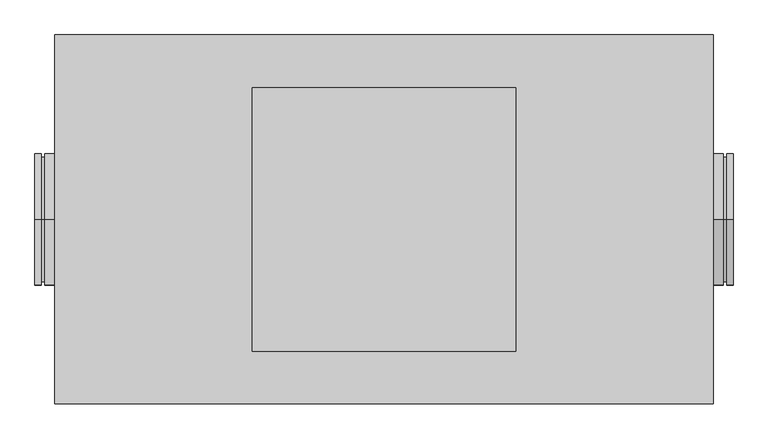
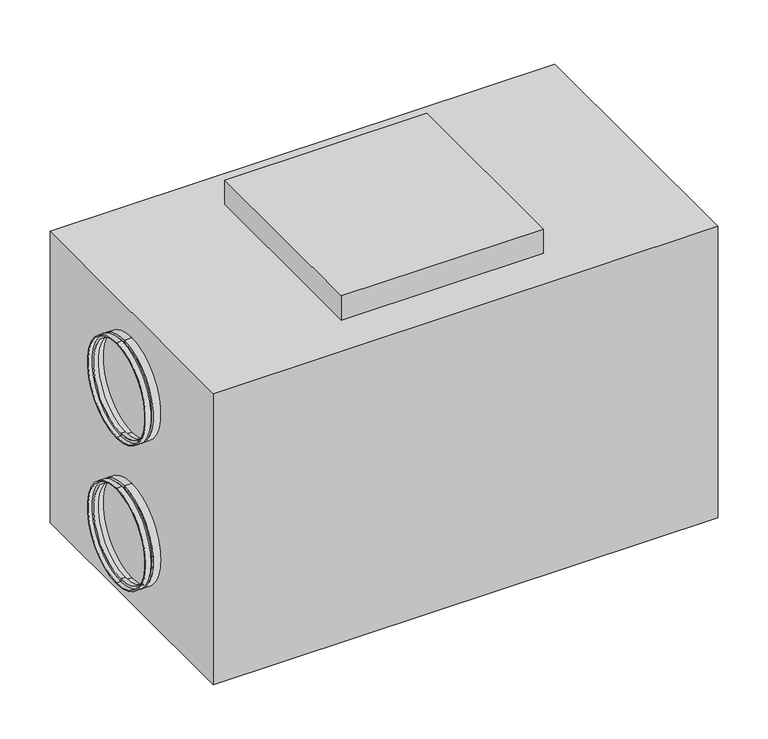
"""IFC4 building model written with IfcOpenShell, lengths in millimetres: proxy geometry."""

from ifc_helpers import new_model, si_unit, frame, origin, place, context, project, spatial, polyline, circle_curve, outline, extrude, source, transform, mapped, element, save
from ifc_brep_helpers import plane_surface, cylinder_surface, revolved_surface, advanced_brep


def mechanical_equipment_f492afd6(model_context):
    return source(origin(), model_context, "Body", "SolidModel", [
        extrude(outline(polyline([(200.0, 200.0), (200.0, -200.0), (-200.0, -200.0), (-200.0, 200.0), (200.0, 200.0)])), frame((0.0, 0.0, 640.0), z_axis=(0.0, 0.0, 1.0), x_axis=(1.0, 0.0, 0.0)), (0.0, 0.0, 1.0), 51.0),
        advanced_brep(
        [(520.0, 0.0, 82.5), (520.0, 0.0, 282.5), (530.0, 0.0, 282.5), (530.0, 0.0, 82.5), (520.0, 0.0, 87.5), (520.0, 0.0, 277.5), (515.0, 0.0, 87.5), (515.0, 0.0, 277.5), (515.0, 0.0, 82.5), (515.0, 0.0, 282.5), (500.0, 0.0, 82.5), (500.0, 0.0, 282.5), (500.0, 0.0, 84.5), (500.0, 0.0, 280.5), (513.0, 0.0, 84.5), (513.0, 0.0, 280.5), (513.0, 0.0, 89.5), (513.0, 0.0, 275.5), (522.0, 0.0, 89.5), (522.0, 0.0, 275.5), (522.0, 0.0, 84.5), (522.0, 0.0, 280.5), (530.0, 0.0, 84.5), (530.0, 0.0, 280.5)],
        [
            (0, 1, circle_curve(frame((520.0, 0.0, 182.5), z_axis=(1.0, 0.0, 0.0), x_axis=(0.0, 0.0, 1.0)), 100.0)),
            (1, 2),
            (2, 3, circle_curve(frame((530.0, 0.0, 182.5), z_axis=(-1.0, 0.0, 0.0), x_axis=(0.0, 0.0, 1.0)), 100.0)),
            (3, 0),
            (1, 0, circle_curve(frame((520.0, 0.0, 182.5), z_axis=(1.0, 0.0, 0.0), x_axis=(0.0, 0.0, 1.0)), 100.0)),
            (3, 2, circle_curve(frame((530.0, 0.0, 182.5), z_axis=(-1.0, 0.0, 0.0), x_axis=(0.0, 0.0, 1.0)), 100.0)),
            (4, 5, circle_curve(frame((520.0, 0.0, 182.5), z_axis=(1.0, 0.0, 0.0), x_axis=(0.0, 0.0, 1.0)), 95.0)),
            (5, 1),
            (0, 4),
            (5, 4, circle_curve(frame((520.0, 0.0, 182.5), z_axis=(1.0, 0.0, 0.0), x_axis=(0.0, 0.0, 1.0)), 95.0)),
            (6, 7, circle_curve(frame((515.0, 0.0, 182.5), z_axis=(1.0, 0.0, 0.0), x_axis=(0.0, 0.0, 1.0)), 95.0)),
            (7, 5),
            (4, 6),
            (7, 6, circle_curve(frame((515.0, 0.0, 182.5), z_axis=(1.0, 0.0, 0.0), x_axis=(0.0, 0.0, 1.0)), 95.0)),
            (8, 9, circle_curve(frame((515.0, 0.0, 182.5), z_axis=(1.0, 0.0, 0.0), x_axis=(0.0, 0.0, 1.0)), 100.0)),
            (9, 7),
            (6, 8),
            (9, 8, circle_curve(frame((515.0, 0.0, 182.5), z_axis=(1.0, 0.0, 0.0), x_axis=(0.0, 0.0, 1.0)), 100.0)),
            (10, 11, circle_curve(frame((500.0, 0.0, 182.5), z_axis=(1.0, 0.0, 0.0), x_axis=(0.0, 0.0, 1.0)), 100.0)),
            (11, 9),
            (8, 10),
            (11, 10, circle_curve(frame((500.0, 0.0, 182.5), z_axis=(1.0, 0.0, 0.0), x_axis=(0.0, 0.0, 1.0)), 100.0)),
            (12, 13, circle_curve(frame((500.0, 0.0, 182.5), z_axis=(1.0, 0.0, 0.0), x_axis=(0.0, 0.0, 1.0)), 98.0)),
            (13, 11),
            (10, 12),
            (13, 12, circle_curve(frame((500.0, 0.0, 182.5), z_axis=(1.0, 0.0, 0.0), x_axis=(0.0, 0.0, 1.0)), 98.0)),
            (14, 15, circle_curve(frame((513.0, 0.0, 182.5), z_axis=(1.0, 0.0, 0.0), x_axis=(0.0, 0.0, 1.0)), 98.0)),
            (15, 13),
            (12, 14),
            (15, 14, circle_curve(frame((513.0, 0.0, 182.5), z_axis=(1.0, 0.0, 0.0), x_axis=(0.0, 0.0, 1.0)), 98.0)),
            (16, 17, circle_curve(frame((513.0, 0.0, 182.5), z_axis=(1.0, 0.0, 0.0), x_axis=(0.0, 0.0, 1.0)), 93.0)),
            (17, 15),
            (14, 16),
            (17, 16, circle_curve(frame((513.0, 0.0, 182.5), z_axis=(1.0, 0.0, 0.0), x_axis=(0.0, 0.0, 1.0)), 93.0)),
            (18, 19, circle_curve(frame((522.0, 0.0, 182.5), z_axis=(1.0, 0.0, 0.0), x_axis=(0.0, 0.0, 1.0)), 93.0)),
            (19, 17),
            (16, 18),
            (19, 18, circle_curve(frame((522.0, 0.0, 182.5), z_axis=(1.0, 0.0, 0.0), x_axis=(0.0, 0.0, 1.0)), 93.0)),
            (20, 21, circle_curve(frame((522.0, 0.0, 182.5), z_axis=(1.0, 0.0, 0.0), x_axis=(0.0, 0.0, 1.0)), 98.0)),
            (21, 19),
            (18, 20),
            (21, 20, circle_curve(frame((522.0, 0.0, 182.5), z_axis=(1.0, 0.0, 0.0), x_axis=(0.0, 0.0, 1.0)), 98.0)),
            (22, 23, circle_curve(frame((530.0, 0.0, 182.5), z_axis=(1.0, 0.0, 0.0), x_axis=(0.0, 0.0, 1.0)), 98.0)),
            (23, 21),
            (20, 22),
            (23, 22, circle_curve(frame((530.0, 0.0, 182.5), z_axis=(1.0, 0.0, 0.0), x_axis=(0.0, 0.0, 1.0)), 98.0)),
            (2, 23),
            (22, 3),
        ],
        [
            cylinder_surface(frame((2065.0440172, 0.0, 182.5), z_axis=(-1.0, 0.0, 0.0), x_axis=(0.0, 0.0, 1.0)), 100.0),
            plane_surface(frame((520.0, 0.0, 182.5), z_axis=(-1.0, 0.0, 0.0), x_axis=(0.0, 0.0, 1.0))),
            cylinder_surface(frame((2065.0440172, 0.0, 182.5), z_axis=(-1.0, 0.0, 0.0), x_axis=(0.0, 0.0, 1.0)), 95.0),
            plane_surface(frame((515.0, 0.0, 182.5), z_axis=(1.0, 0.0, 0.0), x_axis=(0.0, 0.0, 1.0))),
            plane_surface(frame((500.0, 0.0, 182.5), z_axis=(-1.0, 0.0, 0.0), x_axis=(0.0, 0.0, 1.0))),
            revolved_surface(polyline([(500.0, 0.0, 280.5), (513.0, 0.0, 280.5)]), (2065.0440172, 0.0, 182.5), (-1.0, 0.0, 0.0)),
            plane_surface(frame((513.0, 0.0, 182.5), z_axis=(-1.0, 0.0, 0.0), x_axis=(0.0, 0.0, 1.0))),
            revolved_surface(polyline([(513.0, 0.0, 275.5), (522.0, 0.0, 275.5)]), (2065.0440172, 0.0, 182.5), (-1.0, 0.0, 0.0)),
            plane_surface(frame((522.0, 0.0, 182.5), z_axis=(1.0, 0.0, 0.0), x_axis=(0.0, 0.0, 1.0))),
            revolved_surface(polyline([(522.0, 0.0, 280.5), (530.0, 0.0, 280.5)]), (2065.0440172, 0.0, 182.5), (-1.0, 0.0, 0.0)),
            plane_surface(frame((530.0, 0.0, 182.5), z_axis=(1.0, 0.0, 0.0), x_axis=(0.0, 0.0, 1.0))),
        ],
        [
            (0, [[1, 2, 3, 4]]),
            (0, [[5, -4, 6, -2]]),
            (1, [[7, 8, -1, 9]]),
            (1, [[10, -9, -5, -8]]),
            (2, [[11, 12, -7, 13]]),
            (2, [[14, -13, -10, -12]]),
            (3, [[15, 16, -11, 17]]),
            (3, [[18, -17, -14, -16]]),
            (0, [[19, 20, -15, 21]]),
            (0, [[22, -21, -18, -20]]),
            (4, [[23, 24, -19, 25]]),
            (4, [[26, -25, -22, -24]]),
            (5, [[27, 28, -23, 29]]),
            (5, [[30, -29, -26, -28]]),
            (6, [[31, 32, -27, 33]]),
            (6, [[34, -33, -30, -32]]),
            (7, [[35, 36, -31, 37]]),
            (7, [[38, -37, -34, -36]]),
            (8, [[39, 40, -35, 41]]),
            (8, [[42, -41, -38, -40]]),
            (9, [[43, 44, -39, 45]]),
            (9, [[46, -45, -42, -44]]),
            (10, [[-3, 47, -43, 48]]),
            (10, [[-6, -48, -46, -47]]),
        ],
    ),
        advanced_brep(
        [(520.0, 0.0, 387.5), (520.0, 0.0, 587.5), (530.0, 0.0, 587.5), (530.0, 0.0, 387.5), (520.0, 0.0, 392.5), (520.0, 0.0, 582.5), (515.0, 0.0, 392.5), (515.0, 0.0, 582.5), (515.0, 0.0, 387.5), (515.0, 0.0, 587.5), (500.0, 0.0, 387.5), (500.0, 0.0, 587.5), (500.0, 0.0, 389.5), (500.0, 0.0, 585.5), (513.0, 0.0, 389.5), (513.0, 0.0, 585.5), (513.0, 0.0, 394.5), (513.0, 0.0, 580.5), (522.0, 0.0, 394.5), (522.0, 0.0, 580.5), (522.0, 0.0, 389.5), (522.0, 0.0, 585.5), (530.0, 0.0, 389.5), (530.0, 0.0, 585.5)],
        [
            (0, 1, circle_curve(frame((520.0, 0.0, 487.5), z_axis=(1.0, 0.0, 0.0), x_axis=(0.0, 0.0, 1.0)), 100.0)),
            (1, 2),
            (2, 3, circle_curve(frame((530.0, 0.0, 487.5), z_axis=(-1.0, 0.0, 0.0), x_axis=(0.0, 0.0, 1.0)), 100.0)),
            (3, 0),
            (1, 0, circle_curve(frame((520.0, 0.0, 487.5), z_axis=(1.0, 0.0, 0.0), x_axis=(0.0, 0.0, 1.0)), 100.0)),
            (3, 2, circle_curve(frame((530.0, 0.0, 487.5), z_axis=(-1.0, 0.0, 0.0), x_axis=(0.0, 0.0, 1.0)), 100.0)),
            (4, 5, circle_curve(frame((520.0, 0.0, 487.5), z_axis=(1.0, 0.0, 0.0), x_axis=(0.0, 0.0, 1.0)), 95.0)),
            (5, 1),
            (0, 4),
            (5, 4, circle_curve(frame((520.0, 0.0, 487.5), z_axis=(1.0, 0.0, 0.0), x_axis=(0.0, 0.0, 1.0)), 95.0)),
            (6, 7, circle_curve(frame((515.0, 0.0, 487.5), z_axis=(1.0, 0.0, 0.0), x_axis=(0.0, 0.0, 1.0)), 95.0)),
            (7, 5),
            (4, 6),
            (7, 6, circle_curve(frame((515.0, 0.0, 487.5), z_axis=(1.0, 0.0, 0.0), x_axis=(0.0, 0.0, 1.0)), 95.0)),
            (8, 9, circle_curve(frame((515.0, 0.0, 487.5), z_axis=(1.0, 0.0, 0.0), x_axis=(0.0, 0.0, 1.0)), 100.0)),
            (9, 7),
            (6, 8),
            (9, 8, circle_curve(frame((515.0, 0.0, 487.5), z_axis=(1.0, 0.0, 0.0), x_axis=(0.0, 0.0, 1.0)), 100.0)),
            (10, 11, circle_curve(frame((500.0, 0.0, 487.5), z_axis=(1.0, 0.0, 0.0), x_axis=(0.0, 0.0, 1.0)), 100.0)),
            (11, 9),
            (8, 10),
            (11, 10, circle_curve(frame((500.0, 0.0, 487.5), z_axis=(1.0, 0.0, 0.0), x_axis=(0.0, 0.0, 1.0)), 100.0)),
            (12, 13, circle_curve(frame((500.0, 0.0, 487.5), z_axis=(1.0, 0.0, 0.0), x_axis=(0.0, 0.0, 1.0)), 98.0)),
            (13, 11),
            (10, 12),
            (13, 12, circle_curve(frame((500.0, 0.0, 487.5), z_axis=(1.0, 0.0, 0.0), x_axis=(0.0, 0.0, 1.0)), 98.0)),
            (14, 15, circle_curve(frame((513.0, 0.0, 487.5), z_axis=(1.0, 0.0, 0.0), x_axis=(0.0, 0.0, 1.0)), 98.0)),
            (15, 13),
            (12, 14),
            (15, 14, circle_curve(frame((513.0, 0.0, 487.5), z_axis=(1.0, 0.0, 0.0), x_axis=(0.0, 0.0, 1.0)), 98.0)),
            (16, 17, circle_curve(frame((513.0, 0.0, 487.5), z_axis=(1.0, 0.0, 0.0), x_axis=(0.0, 0.0, 1.0)), 93.0)),
            (17, 15),
            (14, 16),
            (17, 16, circle_curve(frame((513.0, 0.0, 487.5), z_axis=(1.0, 0.0, 0.0), x_axis=(0.0, 0.0, 1.0)), 93.0)),
            (18, 19, circle_curve(frame((522.0, 0.0, 487.5), z_axis=(1.0, 0.0, 0.0), x_axis=(0.0, 0.0, 1.0)), 93.0)),
            (19, 17),
            (16, 18),
            (19, 18, circle_curve(frame((522.0, 0.0, 487.5), z_axis=(1.0, 0.0, 0.0), x_axis=(0.0, 0.0, 1.0)), 93.0)),
            (20, 21, circle_curve(frame((522.0, 0.0, 487.5), z_axis=(1.0, 0.0, 0.0), x_axis=(0.0, 0.0, 1.0)), 98.0)),
            (21, 19),
            (18, 20),
            (21, 20, circle_curve(frame((522.0, 0.0, 487.5), z_axis=(1.0, 0.0, 0.0), x_axis=(0.0, 0.0, 1.0)), 98.0)),
            (22, 23, circle_curve(frame((530.0, 0.0, 487.5), z_axis=(1.0, 0.0, 0.0), x_axis=(0.0, 0.0, 1.0)), 98.0)),
            (23, 21),
            (20, 22),
            (23, 22, circle_curve(frame((530.0, 0.0, 487.5), z_axis=(1.0, 0.0, 0.0), x_axis=(0.0, 0.0, 1.0)), 98.0)),
            (2, 23),
            (22, 3),
        ],
        [
            cylinder_surface(frame((2065.0440172, 0.0, 487.5), z_axis=(-1.0, 0.0, 0.0), x_axis=(0.0, 0.0, 1.0)), 100.0),
            plane_surface(frame((520.0, 0.0, 487.5), z_axis=(-1.0, 0.0, 0.0), x_axis=(0.0, 0.0, 1.0))),
            cylinder_surface(frame((2065.0440172, 0.0, 487.5), z_axis=(-1.0, 0.0, 0.0), x_axis=(0.0, 0.0, 1.0)), 95.0),
            plane_surface(frame((515.0, 0.0, 487.5), z_axis=(1.0, 0.0, 0.0), x_axis=(0.0, 0.0, 1.0))),
            plane_surface(frame((500.0, 0.0, 487.5), z_axis=(-1.0, 0.0, 0.0), x_axis=(0.0, 0.0, 1.0))),
            revolved_surface(polyline([(500.0, 0.0, 585.5), (513.0, 0.0, 585.5)]), (2065.0440172, 0.0, 487.5), (-1.0, 0.0, 0.0)),
            plane_surface(frame((513.0, 0.0, 487.5), z_axis=(-1.0, 0.0, 0.0), x_axis=(0.0, 0.0, 1.0))),
            revolved_surface(polyline([(513.0, 0.0, 580.5), (522.0, 0.0, 580.5)]), (2065.0440172, 0.0, 487.5), (-1.0, 0.0, 0.0)),
            plane_surface(frame((522.0, 0.0, 487.5), z_axis=(1.0, 0.0, 0.0), x_axis=(0.0, 0.0, 1.0))),
            revolved_surface(polyline([(522.0, 0.0, 585.5), (530.0, 0.0, 585.5)]), (2065.0440172, 0.0, 487.5), (-1.0, 0.0, 0.0)),
            plane_surface(frame((530.0, 0.0, 487.5), z_axis=(1.0, 0.0, 0.0), x_axis=(0.0, 0.0, 1.0))),
        ],
        [
            (0, [[1, 2, 3, 4]]),
            (0, [[5, -4, 6, -2]]),
            (1, [[7, 8, -1, 9]]),
            (1, [[10, -9, -5, -8]]),
            (2, [[11, 12, -7, 13]]),
            (2, [[14, -13, -10, -12]]),
            (3, [[15, 16, -11, 17]]),
            (3, [[18, -17, -14, -16]]),
            (0, [[19, 20, -15, 21]]),
            (0, [[22, -21, -18, -20]]),
            (4, [[23, 24, -19, 25]]),
            (4, [[26, -25, -22, -24]]),
            (5, [[27, 28, -23, 29]]),
            (5, [[30, -29, -26, -28]]),
            (6, [[31, 32, -27, 33]]),
            (6, [[34, -33, -30, -32]]),
            (7, [[35, 36, -31, 37]]),
            (7, [[38, -37, -34, -36]]),
            (8, [[39, 40, -35, 41]]),
            (8, [[42, -41, -38, -40]]),
            (9, [[43, 44, -39, 45]]),
            (9, [[46, -45, -42, -44]]),
            (10, [[-3, 47, -43, 48]]),
            (10, [[-6, -48, -46, -47]]),
        ],
    ),
        advanced_brep(
        [(-520.0, 0.0, 587.5), (-520.0, 0.0, 387.5), (-530.0, 0.0, 387.5), (-530.0, 0.0, 587.5), (-520.0, 0.0, 582.5), (-520.0, 0.0, 392.5), (-515.0, 0.0, 582.5), (-515.0, 0.0, 392.5), (-515.0, 0.0, 587.5), (-515.0, 0.0, 387.5), (-500.0, 0.0, 587.5), (-500.0, 0.0, 387.5), (-500.0, 0.0, 585.5), (-500.0, 0.0, 389.5), (-513.0, 0.0, 585.5), (-513.0, 0.0, 389.5), (-513.0, 0.0, 580.5), (-513.0, 0.0, 394.5), (-522.0, 0.0, 580.5), (-522.0, 0.0, 394.5), (-522.0, 0.0, 585.5), (-522.0, 0.0, 389.5), (-530.0, 0.0, 585.5), (-530.0, 0.0, 389.5)],
        [
            (0, 1, circle_curve(frame((-520.0, 0.0, 487.5), z_axis=(-1.0, 0.0, 0.0), x_axis=(0.0, 0.0, -1.0)), 100.0)),
            (1, 2),
            (2, 3, circle_curve(frame((-530.0, 0.0, 487.5), z_axis=(1.0, 0.0, 0.0), x_axis=(0.0, 0.0, -1.0)), 100.0)),
            (3, 0),
            (1, 0, circle_curve(frame((-520.0, 0.0, 487.5), z_axis=(-1.0, 0.0, 0.0), x_axis=(0.0, 0.0, -1.0)), 100.0)),
            (3, 2, circle_curve(frame((-530.0, 0.0, 487.5), z_axis=(1.0, 0.0, 0.0), x_axis=(0.0, 0.0, -1.0)), 100.0)),
            (4, 5, circle_curve(frame((-520.0, 0.0, 487.5), z_axis=(-1.0, 0.0, 0.0), x_axis=(0.0, 0.0, -1.0)), 95.0)),
            (5, 1),
            (0, 4),
            (5, 4, circle_curve(frame((-520.0, 0.0, 487.5), z_axis=(-1.0, 0.0, 0.0), x_axis=(0.0, 0.0, -1.0)), 95.0)),
            (6, 7, circle_curve(frame((-515.0, 0.0, 487.5), z_axis=(-1.0, 0.0, 0.0), x_axis=(0.0, 0.0, -1.0)), 95.0)),
            (7, 5),
            (4, 6),
            (7, 6, circle_curve(frame((-515.0, 0.0, 487.5), z_axis=(-1.0, 0.0, 0.0), x_axis=(0.0, 0.0, -1.0)), 95.0)),
            (8, 9, circle_curve(frame((-515.0, 0.0, 487.5), z_axis=(-1.0, 0.0, 0.0), x_axis=(0.0, 0.0, -1.0)), 100.0)),
            (9, 7),
            (6, 8),
            (9, 8, circle_curve(frame((-515.0, 0.0, 487.5), z_axis=(-1.0, 0.0, 0.0), x_axis=(0.0, 0.0, -1.0)), 100.0)),
            (10, 11, circle_curve(frame((-500.0, 0.0, 487.5), z_axis=(-1.0, 0.0, 0.0), x_axis=(0.0, 0.0, -1.0)), 100.0)),
            (11, 9),
            (8, 10),
            (11, 10, circle_curve(frame((-500.0, 0.0, 487.5), z_axis=(-1.0, 0.0, 0.0), x_axis=(0.0, 0.0, -1.0)), 100.0)),
            (12, 13, circle_curve(frame((-500.0, 0.0, 487.5), z_axis=(-1.0, 0.0, 0.0), x_axis=(0.0, 0.0, -1.0)), 98.0)),
            (13, 11),
            (10, 12),
            (13, 12, circle_curve(frame((-500.0, 0.0, 487.5), z_axis=(-1.0, 0.0, 0.0), x_axis=(0.0, 0.0, -1.0)), 98.0)),
            (14, 15, circle_curve(frame((-513.0, 0.0, 487.5), z_axis=(-1.0, 0.0, 0.0), x_axis=(0.0, 0.0, -1.0)), 98.0)),
            (15, 13),
            (12, 14),
            (15, 14, circle_curve(frame((-513.0, 0.0, 487.5), z_axis=(-1.0, 0.0, 0.0), x_axis=(0.0, 0.0, -1.0)), 98.0)),
            (16, 17, circle_curve(frame((-513.0, 0.0, 487.5), z_axis=(-1.0, 0.0, 0.0), x_axis=(0.0, 0.0, -1.0)), 93.0)),
            (17, 15),
            (14, 16),
            (17, 16, circle_curve(frame((-513.0, 0.0, 487.5), z_axis=(-1.0, 0.0, 0.0), x_axis=(0.0, 0.0, -1.0)), 93.0)),
            (18, 19, circle_curve(frame((-522.0, 0.0, 487.5), z_axis=(-1.0, 0.0, 0.0), x_axis=(0.0, 0.0, -1.0)), 93.0)),
            (19, 17),
            (16, 18),
            (19, 18, circle_curve(frame((-522.0, 0.0, 487.5), z_axis=(-1.0, 0.0, 0.0), x_axis=(0.0, 0.0, -1.0)), 93.0)),
            (20, 21, circle_curve(frame((-522.0, 0.0, 487.5), z_axis=(-1.0, 0.0, 0.0), x_axis=(0.0, 0.0, -1.0)), 98.0)),
            (21, 19),
            (18, 20),
            (21, 20, circle_curve(frame((-522.0, 0.0, 487.5), z_axis=(-1.0, 0.0, 0.0), x_axis=(0.0, 0.0, -1.0)), 98.0)),
            (22, 23, circle_curve(frame((-530.0, 0.0, 487.5), z_axis=(-1.0, 0.0, 0.0), x_axis=(0.0, 0.0, -1.0)), 98.0)),
            (23, 21),
            (20, 22),
            (23, 22, circle_curve(frame((-530.0, 0.0, 487.5), z_axis=(-1.0, 0.0, 0.0), x_axis=(0.0, 0.0, -1.0)), 98.0)),
            (2, 23),
            (22, 3),
        ],
        [
            cylinder_surface(frame((-2065.0440172, 0.0, 487.5), z_axis=(1.0, 0.0, 0.0), x_axis=(0.0, 0.0, -1.0)), 100.0),
            plane_surface(frame((-520.0, 0.0, 487.5), z_axis=(1.0, 0.0, 0.0), x_axis=(0.0, 0.0, -1.0))),
            cylinder_surface(frame((-2065.0440172, 0.0, 487.5), z_axis=(1.0, 0.0, 0.0), x_axis=(0.0, 0.0, -1.0)), 95.0),
            plane_surface(frame((-515.0, 0.0, 487.5), z_axis=(-1.0, 0.0, 0.0), x_axis=(0.0, 0.0, -1.0))),
            plane_surface(frame((-500.0, 0.0, 487.5), z_axis=(1.0, 0.0, 0.0), x_axis=(0.0, 0.0, -1.0))),
            revolved_surface(polyline([(-500.0, 0.0, 389.5), (-513.0, 0.0, 389.5)]), (-2065.0440172, 0.0, 487.5), (1.0, 0.0, 0.0)),
            plane_surface(frame((-513.0, 0.0, 487.5), z_axis=(1.0, 0.0, 0.0), x_axis=(0.0, 0.0, -1.0))),
            revolved_surface(polyline([(-513.0, 0.0, 394.5), (-522.0, 0.0, 394.5)]), (-2065.0440172, 0.0, 487.5), (1.0, 0.0, 0.0)),
            plane_surface(frame((-522.0, 0.0, 487.5), z_axis=(-1.0, 0.0, 0.0), x_axis=(0.0, 0.0, -1.0))),
            revolved_surface(polyline([(-522.0, 0.0, 389.5), (-530.0, 0.0, 389.5)]), (-2065.0440172, 0.0, 487.5), (1.0, 0.0, 0.0)),
            plane_surface(frame((-530.0, 0.0, 487.5), z_axis=(-1.0, 0.0, 0.0), x_axis=(0.0, 0.0, -1.0))),
        ],
        [
            (0, [[1, 2, 3, 4]]),
            (0, [[5, -4, 6, -2]]),
            (1, [[7, 8, -1, 9]]),
            (1, [[10, -9, -5, -8]]),
            (2, [[11, 12, -7, 13]]),
            (2, [[14, -13, -10, -12]]),
            (3, [[15, 16, -11, 17]]),
            (3, [[18, -17, -14, -16]]),
            (0, [[19, 20, -15, 21]]),
            (0, [[22, -21, -18, -20]]),
            (4, [[23, 24, -19, 25]]),
            (4, [[26, -25, -22, -24]]),
            (5, [[27, 28, -23, 29]]),
            (5, [[30, -29, -26, -28]]),
            (6, [[31, 32, -27, 33]]),
            (6, [[34, -33, -30, -32]]),
            (7, [[35, 36, -31, 37]]),
            (7, [[38, -37, -34, -36]]),
            (8, [[39, 40, -35, 41]]),
            (8, [[42, -41, -38, -40]]),
            (9, [[43, 44, -39, 45]]),
            (9, [[46, -45, -42, -44]]),
            (10, [[-3, 47, -43, 48]]),
            (10, [[-6, -48, -46, -47]]),
        ],
    ),
        advanced_brep(
        [(-520.0, 0.0, 282.5), (-520.0, 0.0, 82.5), (-530.0, 0.0, 82.5), (-530.0, 0.0, 282.5), (-520.0, 0.0, 277.5), (-520.0, 0.0, 87.5), (-515.0, 0.0, 277.5), (-515.0, 0.0, 87.5), (-515.0, 0.0, 282.5), (-515.0, 0.0, 82.5), (-500.0, 0.0, 282.5), (-500.0, 0.0, 82.5), (-500.0, 0.0, 280.5), (-500.0, 0.0, 84.5), (-513.0, 0.0, 280.5), (-513.0, 0.0, 84.5), (-513.0, 0.0, 275.5), (-513.0, 0.0, 89.5), (-522.0, 0.0, 275.5), (-522.0, 0.0, 89.5), (-522.0, 0.0, 280.5), (-522.0, 0.0, 84.5), (-530.0, 0.0, 280.5), (-530.0, 0.0, 84.5)],
        [
            (0, 1, circle_curve(frame((-520.0, 0.0, 182.5), z_axis=(-1.0, 0.0, 0.0), x_axis=(0.0, 0.0, -1.0)), 100.0)),
            (1, 2),
            (2, 3, circle_curve(frame((-530.0, 0.0, 182.5), z_axis=(1.0, 0.0, 0.0), x_axis=(0.0, 0.0, -1.0)), 100.0)),
            (3, 0),
            (1, 0, circle_curve(frame((-520.0, 0.0, 182.5), z_axis=(-1.0, 0.0, 0.0), x_axis=(0.0, 0.0, -1.0)), 100.0)),
            (3, 2, circle_curve(frame((-530.0, 0.0, 182.5), z_axis=(1.0, 0.0, 0.0), x_axis=(0.0, 0.0, -1.0)), 100.0)),
            (4, 5, circle_curve(frame((-520.0, 0.0, 182.5), z_axis=(-1.0, 0.0, 0.0), x_axis=(0.0, 0.0, -1.0)), 95.0)),
            (5, 1),
            (0, 4),
            (5, 4, circle_curve(frame((-520.0, 0.0, 182.5), z_axis=(-1.0, 0.0, 0.0), x_axis=(0.0, 0.0, -1.0)), 95.0)),
            (6, 7, circle_curve(frame((-515.0, 0.0, 182.5), z_axis=(-1.0, 0.0, 0.0), x_axis=(0.0, 0.0, -1.0)), 95.0)),
            (7, 5),
            (4, 6),
            (7, 6, circle_curve(frame((-515.0, 0.0, 182.5), z_axis=(-1.0, 0.0, 0.0), x_axis=(0.0, 0.0, -1.0)), 95.0)),
            (8, 9, circle_curve(frame((-515.0, 0.0, 182.5), z_axis=(-1.0, 0.0, 0.0), x_axis=(0.0, 0.0, -1.0)), 100.0)),
            (9, 7),
            (6, 8),
            (9, 8, circle_curve(frame((-515.0, 0.0, 182.5), z_axis=(-1.0, 0.0, 0.0), x_axis=(0.0, 0.0, -1.0)), 100.0)),
            (10, 11, circle_curve(frame((-500.0, 0.0, 182.5), z_axis=(-1.0, 0.0, 0.0), x_axis=(0.0, 0.0, -1.0)), 100.0)),
            (11, 9),
            (8, 10),
            (11, 10, circle_curve(frame((-500.0, 0.0, 182.5), z_axis=(-1.0, 0.0, 0.0), x_axis=(0.0, 0.0, -1.0)), 100.0)),
            (12, 13, circle_curve(frame((-500.0, 0.0, 182.5), z_axis=(-1.0, 0.0, 0.0), x_axis=(0.0, 0.0, -1.0)), 98.0)),
            (13, 11),
            (10, 12),
            (13, 12, circle_curve(frame((-500.0, 0.0, 182.5), z_axis=(-1.0, 0.0, 0.0), x_axis=(0.0, 0.0, -1.0)), 98.0)),
            (14, 15, circle_curve(frame((-513.0, 0.0, 182.5), z_axis=(-1.0, 0.0, 0.0), x_axis=(0.0, 0.0, -1.0)), 98.0)),
            (15, 13),
            (12, 14),
            (15, 14, circle_curve(frame((-513.0, 0.0, 182.5), z_axis=(-1.0, 0.0, 0.0), x_axis=(0.0, 0.0, -1.0)), 98.0)),
            (16, 17, circle_curve(frame((-513.0, 0.0, 182.5), z_axis=(-1.0, 0.0, 0.0), x_axis=(0.0, 0.0, -1.0)), 93.0)),
            (17, 15),
            (14, 16),
            (17, 16, circle_curve(frame((-513.0, 0.0, 182.5), z_axis=(-1.0, 0.0, 0.0), x_axis=(0.0, 0.0, -1.0)), 93.0)),
            (18, 19, circle_curve(frame((-522.0, 0.0, 182.5), z_axis=(-1.0, 0.0, 0.0), x_axis=(0.0, 0.0, -1.0)), 93.0)),
            (19, 17),
            (16, 18),
            (19, 18, circle_curve(frame((-522.0, 0.0, 182.5), z_axis=(-1.0, 0.0, 0.0), x_axis=(0.0, 0.0, -1.0)), 93.0)),
            (20, 21, circle_curve(frame((-522.0, 0.0, 182.5), z_axis=(-1.0, 0.0, 0.0), x_axis=(0.0, 0.0, -1.0)), 98.0)),
            (21, 19),
            (18, 20),
            (21, 20, circle_curve(frame((-522.0, 0.0, 182.5), z_axis=(-1.0, 0.0, 0.0), x_axis=(0.0, 0.0, -1.0)), 98.0)),
            (22, 23, circle_curve(frame((-530.0, 0.0, 182.5), z_axis=(-1.0, 0.0, 0.0), x_axis=(0.0, 0.0, -1.0)), 98.0)),
            (23, 21),
            (20, 22),
            (23, 22, circle_curve(frame((-530.0, 0.0, 182.5), z_axis=(-1.0, 0.0, 0.0), x_axis=(0.0, 0.0, -1.0)), 98.0)),
            (2, 23),
            (22, 3),
        ],
        [
            cylinder_surface(frame((-2065.0440172, 0.0, 182.5), z_axis=(1.0, 0.0, 0.0), x_axis=(0.0, 0.0, -1.0)), 100.0),
            plane_surface(frame((-520.0, 0.0, 182.5), z_axis=(1.0, 0.0, 0.0), x_axis=(0.0, 0.0, -1.0))),
            cylinder_surface(frame((-2065.0440172, 0.0, 182.5), z_axis=(1.0, 0.0, 0.0), x_axis=(0.0, 0.0, -1.0)), 95.0),
            plane_surface(frame((-515.0, 0.0, 182.5), z_axis=(-1.0, 0.0, 0.0), x_axis=(0.0, 0.0, -1.0))),
            plane_surface(frame((-500.0, 0.0, 182.5), z_axis=(1.0, 0.0, 0.0), x_axis=(0.0, 0.0, -1.0))),
            revolved_surface(polyline([(-500.0, 0.0, 84.5), (-513.0, 0.0, 84.5)]), (-2065.0440172, 0.0, 182.5), (1.0, 0.0, 0.0)),
            plane_surface(frame((-513.0, 0.0, 182.5), z_axis=(1.0, 0.0, 0.0), x_axis=(0.0, 0.0, -1.0))),
            revolved_surface(polyline([(-513.0, 0.0, 89.5), (-522.0, 0.0, 89.5)]), (-2065.0440172, 0.0, 182.5), (1.0, 0.0, 0.0)),
            plane_surface(frame((-522.0, 0.0, 182.5), z_axis=(-1.0, 0.0, 0.0), x_axis=(0.0, 0.0, -1.0))),
            revolved_surface(polyline([(-522.0, 0.0, 84.5), (-530.0, 0.0, 84.5)]), (-2065.0440172, 0.0, 182.5), (1.0, 0.0, 0.0)),
            plane_surface(frame((-530.0, 0.0, 182.5), z_axis=(-1.0, 0.0, 0.0), x_axis=(0.0, 0.0, -1.0))),
        ],
        [
            (0, [[1, 2, 3, 4]]),
            (0, [[5, -4, 6, -2]]),
            (1, [[7, 8, -1, 9]]),
            (1, [[10, -9, -5, -8]]),
            (2, [[11, 12, -7, 13]]),
            (2, [[14, -13, -10, -12]]),
            (3, [[15, 16, -11, 17]]),
            (3, [[18, -17, -14, -16]]),
            (0, [[19, 20, -15, 21]]),
            (0, [[22, -21, -18, -20]]),
            (4, [[23, 24, -19, 25]]),
            (4, [[26, -25, -22, -24]]),
            (5, [[27, 28, -23, 29]]),
            (5, [[30, -29, -26, -28]]),
            (6, [[31, 32, -27, 33]]),
            (6, [[34, -33, -30, -32]]),
            (7, [[35, 36, -31, 37]]),
            (7, [[38, -37, -34, -36]]),
            (8, [[39, 40, -35, 41]]),
            (8, [[42, -41, -38, -40]]),
            (9, [[43, 44, -39, 45]]),
            (9, [[46, -45, -42, -44]]),
            (10, [[-3, 47, -43, 48]]),
            (10, [[-6, -48, -46, -47]]),
        ],
    ),
        extrude(outline(polyline([(0.0, 330.0), (30.0, 344.5588094), (30.0, 339.2379205), (5.0, 326.4989623), (5.0, 300.0), (5.0, 273.5010377), (30.0, 260.7620795), (30.0, 255.4411906), (0.0, 270.0), (0.0, 300.0), (0.0, 330.0)])), frame((0.0, -230.0, 0.0), z_axis=(0.0, 1.0, 0.0), x_axis=(0.0, 0.0, 1.0)), (0.0, 0.0, 1.0), 460.0),
        extrude(outline(polyline([(0.0, -270.0), (30.0, -255.4411906), (30.0, -260.7620795), (5.0, -273.5010377), (5.0, -300.0), (5.0, -326.4989623), (30.0, -339.2379205), (30.0, -344.5588094), (0.0, -330.0), (0.0, -300.0), (0.0, -270.0)])), frame((0.0, -230.0, 0.0), z_axis=(0.0, 1.0, 0.0), x_axis=(0.0, 0.0, 1.0)), (0.0, 0.0, 1.0), 460.0),
        extrude(outline(polyline([(-500.0, 280.0), (500.0, 280.0), (500.0, -280.0), (-500.0, -280.0), (-500.0, 280.0)])), frame((0.0, 0.0, 30.0), z_axis=(0.0, 0.0, 1.0), x_axis=(1.0, 0.0, 0.0)), (0.0, 0.0, 1.0), 610.0),
    ])


if __name__ == "__main__":
    model = new_model("IFC4")
    model_context = context("Model", 3, world=origin())
    ifc_project = project(units=[si_unit("LENGTHUNIT", "METRE", prefix="MILLI")], contexts=[model_context])
    site = spatial("IfcSite", under=ifc_project)
    building = spatial("IfcBuilding", under=site)
    placement = place(None, origin())
    mechanical_equipment_shape = mechanical_equipment_f492afd6(model_context)
    element("IfcBuildingElementProxy", 1, Name="Mechanical Equipment", at=placement, inside=building, context=model_context, shape_type="MappedRepresentation", body=[
        mapped(mechanical_equipment_shape, transform((0.0, 0.0, 0.0), x_axis=(1.0, 0.0, 0.0), y_axis=(0.0, 1.0, 0.0), z_axis=(0.0, 0.0, 1.0))),
    ])
    save(model, "model.ifc")
